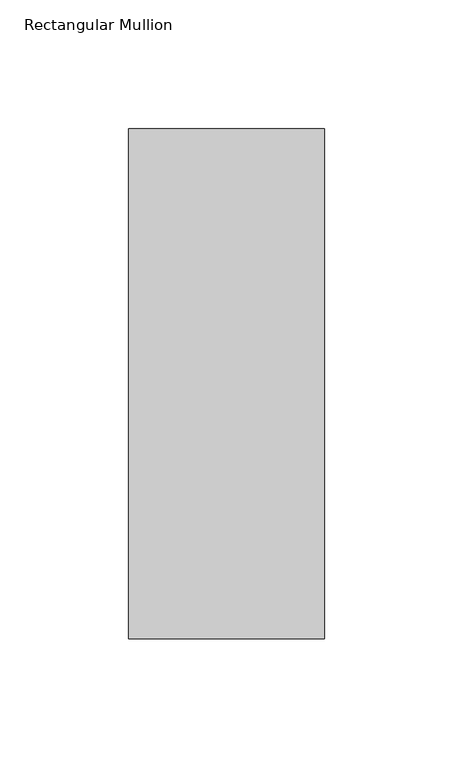
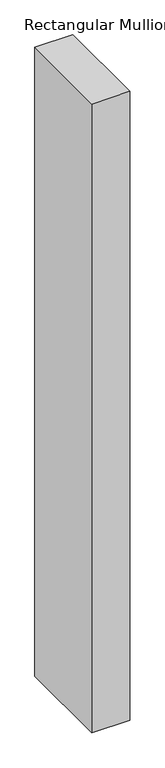
"""IFC4 building model written with IfcOpenShell, lengths in millimetres: member geometry, Rectangular Mullion."""

from ifc_helpers import new_model, si_unit, frame, origin, place, context, project, spatial, polyline, outline, extrude, source, transform, mapped, element, save


def rectangular_mullion_b6fd143a(model_context):
    return source(origin(), model_context, "Body", "SweptSolid", [
        extrude(outline(polyline([(38.1, -156.36875), (-38.1, -156.36875), (-38.1, 42.06875), (38.1, 42.06875), (38.1, -156.36875)])), frame((0.0, 0.0, -1338.4026949), z_axis=(0.0, 0.0, 1.0), x_axis=(1.0, 0.0, 0.0)), (0.0, 0.0, 1.0), 1338.4026949),
    ])


if __name__ == "__main__":
    model = new_model("IFC4")
    model_context = context("Model", 3, world=origin())
    ifc_project = project(units=[si_unit("LENGTHUNIT", "METRE", prefix="MILLI")], contexts=[model_context])
    site = spatial("IfcSite", under=ifc_project)
    building = spatial("IfcBuilding", under=site)
    placement = place(None, origin())
    rectangular_mullion_shape = rectangular_mullion_b6fd143a(model_context)
    element("IfcMember", 1, ObjectType="Rectangular Mullion", at=placement, inside=building, context=model_context, shape_type="MappedRepresentation", body=[
        mapped(rectangular_mullion_shape, transform((0.0, 0.0, 0.0), x_axis=(1.0, 0.0, 0.0), y_axis=(0.0, 1.0, 0.0), z_axis=(0.0, 0.0, 1.0))),
    ])
    save(model, "model.ifc")
